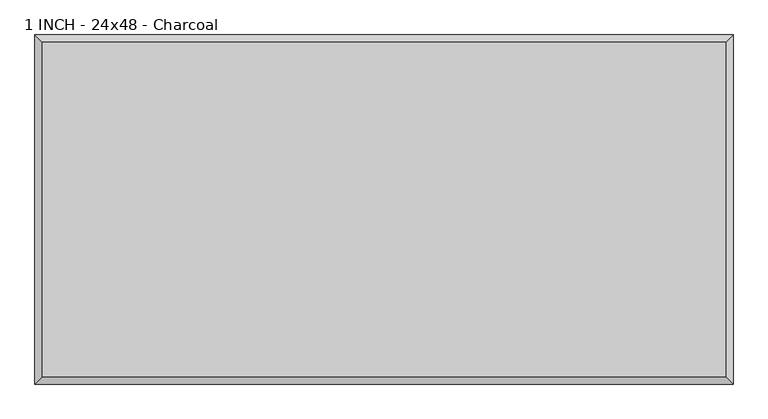
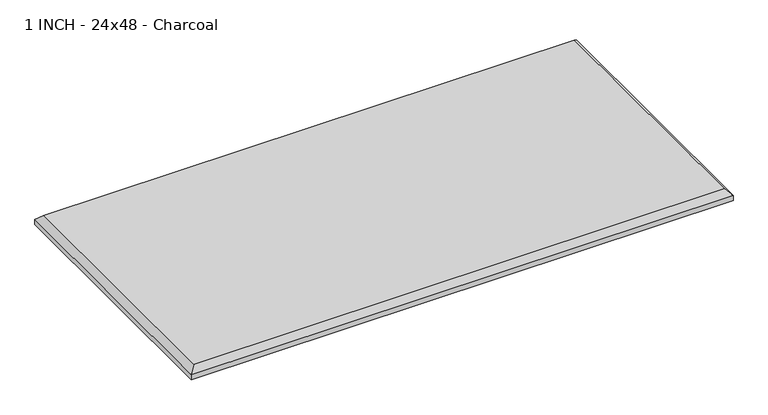
"""IFC4 building model written with IfcOpenShell, lengths in millimetres: proxy geometry, 1 INCH - 24x48 - Charcoal."""

from ifc_helpers import new_model, si_unit, origin, place, context, project, spatial, faceted_brep, source, transform, mapped, element, save


def proxy_1_inch_24x48_charcoal_275d8f02(model_context):
    return source(origin(), model_context, "Body", "Brep", [
        faceted_brep([(596.9, 292.1, 25.4), (-596.9, 292.1, 25.4), (-596.9, -292.1, 25.4), (596.9, -292.1, 25.4), (-609.6, 304.8, 0.0), (609.6, 304.8, 0.0), (609.6, -304.8, 0.0), (-609.6, -304.8, 0.0), (-609.6, -304.8, 12.7), (-609.6, 304.8, 12.7), (609.6, -304.8, 12.7), (609.6, 304.8, 12.7)], [[[0, 1, 2, 3]], [[4, 5, 6, 7]], [[4, 7, 8, 9]], [[7, 6, 10, 8]], [[6, 5, 11, 10]], [[5, 4, 9, 11]], [[9, 1, 0, 11]], [[1, 9, 8, 2]], [[2, 8, 10, 3]], [[11, 0, 3, 10]]]),
    ])


if __name__ == "__main__":
    model = new_model("IFC4")
    model_context = context("Model", 3, world=origin())
    ifc_project = project(units=[si_unit("LENGTHUNIT", "METRE", prefix="MILLI")], contexts=[model_context])
    site = spatial("IfcSite", under=ifc_project)
    building = spatial("IfcBuilding", under=site)
    placement = place(None, origin())
    proxy_1_inch_24x48_charcoal_shape = proxy_1_inch_24x48_charcoal_275d8f02(model_context)
    element("IfcBuildingElementProxy", 1, Name="1 INCH - 24x48 - Charcoal", ObjectType="1 INCH - 24x48 - Charcoal", at=placement, inside=building, context=model_context, shape_type="MappedRepresentation", body=[
        mapped(proxy_1_inch_24x48_charcoal_shape, transform((0.0, 0.0, 0.0), x_axis=(1.0, 0.0, 0.0), y_axis=(0.0, 1.0, 0.0), z_axis=(0.0, 0.0, 1.0))),
    ])
    save(model, "model.ifc")
